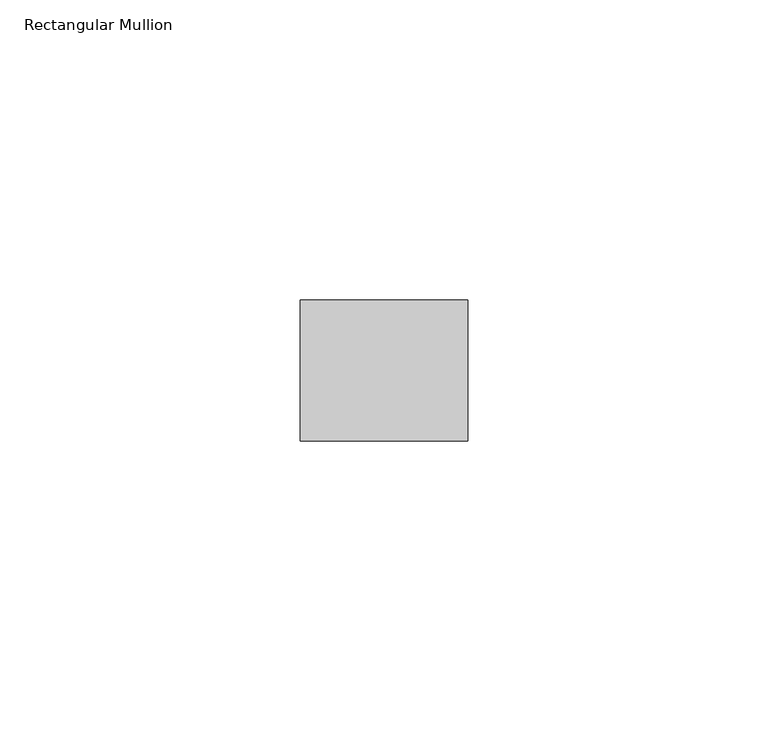
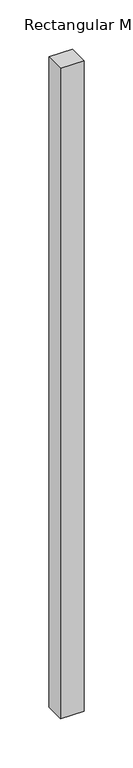
"""IFC4 building model written with IfcOpenShell, lengths in millimetres: member geometry, Rectangular Mullion."""

from ifc_helpers import new_model, si_unit, frame, origin, place, context, project, spatial, polyline, outline, extrude, source, transform, mapped, element, save


def rectangular_mullion_1bb31b7a(model_context):
    return source(origin(), model_context, "Body", "SweptSolid", [
        extrude(outline(polyline([(0.0, 11.7474999), (0.0, -11.7474999), (-27.94, -11.7474999), (-27.94, 11.7474999), (0.0, 11.7474999)])), frame((0.0, 0.0, -809.066549), z_axis=(0.0, 0.0, 1.0), x_axis=(1.0, 0.0, 0.0)), (0.0, 0.0, 1.0), 809.066549),
    ])


if __name__ == "__main__":
    model = new_model("IFC4")
    model_context = context("Model", 3, world=origin())
    ifc_project = project(units=[si_unit("LENGTHUNIT", "METRE", prefix="MILLI")], contexts=[model_context])
    site = spatial("IfcSite", under=ifc_project)
    building = spatial("IfcBuilding", under=site)
    placement = place(None, origin())
    rectangular_mullion_shape = rectangular_mullion_1bb31b7a(model_context)
    element("IfcMember", 1, ObjectType="Rectangular Mullion", at=placement, inside=building, context=model_context, shape_type="MappedRepresentation", body=[
        mapped(rectangular_mullion_shape, transform((0.0, 0.0, 0.0), x_axis=(1.0, 0.0, 0.0), y_axis=(0.0, 1.0, 0.0), z_axis=(0.0, 0.0, 1.0))),
    ])
    save(model, "model.ifc")
